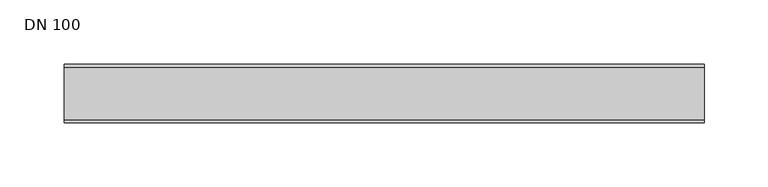
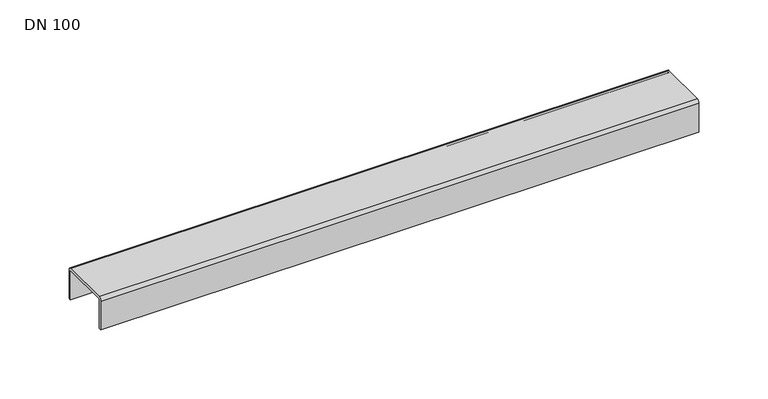
"""IFC4 building model written with IfcOpenShell, lengths in millimetres: sanitary terminal geometry, DN 100."""

from ifc_helpers import new_model, si_unit, point, frame, frame_2d, origin, place, context, project, spatial, polyline, circle_curve, trimmed, segment, composite_curve, outline, extrude, source, transform, mapped, element, save


def dn_100_0e94f07f(model_context):
    return source(origin(), model_context, "Body", "SweptSolid", [
        extrude(outline(composite_curve([segment(polyline([(23.0, -28.0), (21.0, -28.0), (21.0, -2.5)]), True, "CONTINUOUS"), segment(trimmed(circle_curve(frame_2d((20.5, -2.5)), 0.5), [point((21.0, -2.5))], [point((20.5, -2.0))], True, "CARTESIAN"), True, "CONTINUOUS"), segment(polyline([(20.5, -2.0), (-20.5, -2.0)]), True, "CONTINUOUS"), segment(trimmed(circle_curve(frame_2d((-20.5, -2.5)), 0.5), [point((-20.5, -2.0))], [point((-21.0, -2.5))], True, "CARTESIAN"), True, "CONTINUOUS"), segment(polyline([(-21.0, -2.5), (-21.0, -28.0), (-23.0, -28.0), (-23.0, -2.5)]), True, "CONTINUOUS"), segment(trimmed(circle_curve(frame_2d((-20.5, -2.5)), 2.5), [point((-23.0, -2.5))], [point((-20.5, 0.0))], False, "CARTESIAN"), True, "CONTINUOUS"), segment(polyline([(-20.5, 0.0), (20.5, 0.0)]), True, "CONTINUOUS"), segment(trimmed(circle_curve(frame_2d((20.5, -2.5)), 2.5), [point((20.5, 0.0))], [point((23.0, -2.5))], False, "CARTESIAN"), True, "CONTINUOUS"), segment(polyline([(23.0, -2.5), (23.0, -28.0)]), True, "CONTINUOUS")], self_intersect=False)), frame((0.0, 0.0, 0.0), z_axis=(1.0, 0.0, 0.0), x_axis=(0.0, 1.0, 0.0)), (0.0, 0.0, 1.0), 500.0),
    ])


if __name__ == "__main__":
    model = new_model("IFC4")
    model_context = context("Model", 3, world=origin())
    ifc_project = project(units=[si_unit("LENGTHUNIT", "METRE", prefix="MILLI")], contexts=[model_context])
    site = spatial("IfcSite", under=ifc_project)
    building = spatial("IfcBuilding", under=site)
    placement = place(None, origin())
    dn_100_shape = dn_100_0e94f07f(model_context)
    element("IfcSanitaryTerminal", 1, ObjectType="DN 100", at=placement, inside=building, context=model_context, shape_type="MappedRepresentation", body=[
        mapped(dn_100_shape, transform((0.0, 0.0, 0.0), x_axis=(1.0, 0.0, 0.0), y_axis=(0.0, 1.0, 0.0), z_axis=(0.0, 0.0, 1.0))),
    ])
    save(model, "model.ifc")
